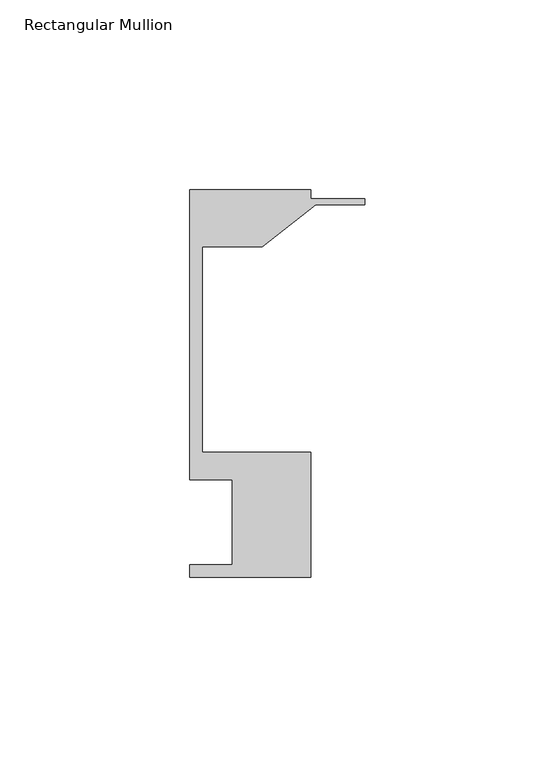
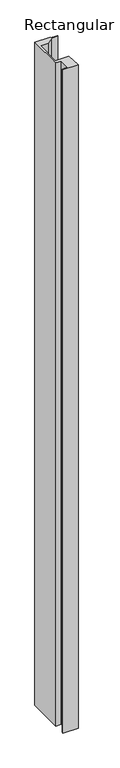
"""IFC4 building model written with IfcOpenShell, lengths in millimetres: member geometry, Rectangular Mullion."""

from ifc_helpers import new_model, si_unit, frame, origin, place, context, project, spatial, polyline, outline, extrude, source, transform, mapped, element, save


def rectangular_mullion_fd4ddb7d(model_context):
    return source(origin(), model_context, "Body", "SweptSolid", [
        extrude(outline(polyline([(-46.0248, 12.6444375), (-46.0248, 15.8194375), (-34.9123, 15.8194375), (-34.9123, 38.2984375), (-46.0248, 38.2984375), (-46.0248, 114.4984375), (-14.2748, 114.4984375), (-14.2748, 112.2124375), (0.0, 112.2124375), (0.0, 110.6249375), (-12.9857923, 110.6249375), (-27.0068481, 99.5124375), (-42.8498, 99.5124375), (-42.8498, 45.4358375), (-14.2748, 45.4358375), (-14.2748, 12.6444375), (-46.0248, 12.6444375)])), frame((0.0, 0.0, -1473.2), z_axis=(0.0, 0.0, 1.0), x_axis=(1.0, 0.0, 0.0)), (0.0, 0.0, 1.0), 1473.2),
    ])


if __name__ == "__main__":
    model = new_model("IFC4")
    model_context = context("Model", 3, world=origin())
    ifc_project = project(units=[si_unit("LENGTHUNIT", "METRE", prefix="MILLI")], contexts=[model_context])
    site = spatial("IfcSite", under=ifc_project)
    building = spatial("IfcBuilding", under=site)
    placement = place(None, origin())
    rectangular_mullion_shape = rectangular_mullion_fd4ddb7d(model_context)
    element("IfcMember", 1, ObjectType="Rectangular Mullion", at=placement, inside=building, context=model_context, shape_type="MappedRepresentation", body=[
        mapped(rectangular_mullion_shape, transform((0.0, 0.0, 0.0), x_axis=(1.0, 0.0, 0.0), y_axis=(0.0, 1.0, 0.0), z_axis=(0.0, 0.0, 1.0))),
    ])
    save(model, "model.ifc")
